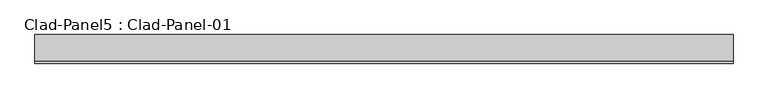
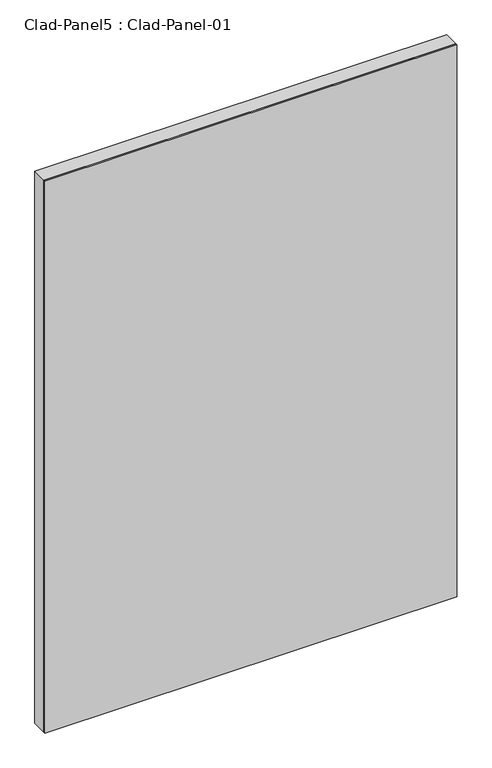
"""IFC4 building model written with IfcOpenShell, lengths in millimetres: proxy geometry, Clad-Panel5 : Clad-Panel-01."""

from ifc_helpers import new_model, si_unit, frame, origin, place, context, project, spatial, polyline, outline, extrude, source, transform, mapped, element, save


def clad_panel5_clad_panel_01_14fcf0cf(model_context):
    return source(origin(), model_context, "Body", "SweptSolid", [
        extrude(outline(polyline([(-30114.1749894, -2516.0), (-28914.1749894, -2516.0), (-28914.1749894, -2561.0), (-30114.1749894, -2561.0), (-30114.1749894, -2516.0)])), frame((0.0, 0.0, 8800.0), z_axis=(0.0, 0.0, 1.0), x_axis=(1.0, 0.0, 0.0)), (0.0, 0.0, 1.0), 1700.0),
        extrude(outline(polyline([(-30114.1749894, -2561.0), (-28914.1749894, -2561.0), (-28914.1749894, -2566.0), (-30114.1749894, -2566.0), (-30114.1749894, -2561.0)])), frame((0.0, 0.0, 8800.0), z_axis=(0.0, 0.0, 1.0), x_axis=(1.0, 0.0, 0.0)), (0.0, 0.0, 1.0), 1700.0),
    ])


if __name__ == "__main__":
    model = new_model("IFC4")
    model_context = context("Model", 3, world=origin())
    ifc_project = project(units=[si_unit("LENGTHUNIT", "METRE", prefix="MILLI")], contexts=[model_context])
    site = spatial("IfcSite", under=ifc_project)
    building = spatial("IfcBuilding", under=site)
    placement = place(None, origin())
    clad_panel5_clad_panel_01_shape = clad_panel5_clad_panel_01_14fcf0cf(model_context)
    element("IfcBuildingElementProxy", 1, Name="Clad-Panel5 : Clad-Panel-01", ObjectType="Clad-Panel5 : Clad-Panel-01", at=placement, inside=building, context=model_context, shape_type="MappedRepresentation", body=[
        mapped(clad_panel5_clad_panel_01_shape, transform((0.0, 0.0, 0.0), x_axis=(1.0, 0.0, 0.0), y_axis=(0.0, 1.0, 0.0), z_axis=(0.0, 0.0, 1.0))),
    ])
    save(model, "model.ifc")
